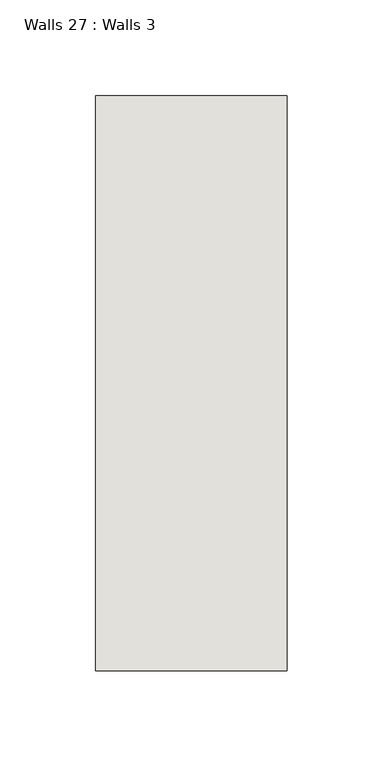
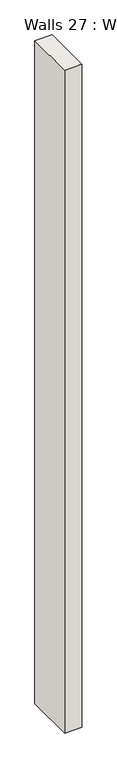
"""IFC4 building model written with IfcOpenShell, lengths in millimetres: wall geometry, Walls 27 : Walls 3."""

from ifc_helpers import new_model, si_unit, origin, origin_with_axes, place, context, project, spatial, polyline, outline, extrude, source, transform, mapped, element, save


def walls_27_walls_3_6475ced6(model_context):
    return source(origin(), model_context, "Body", "SweptSolid", [
        extrude(outline(polyline([(-3812.3812655, 1518.41264), (-3812.3812655, 1818.41264), (-3712.3812655, 1818.41264), (-3712.3812655, 1518.41264), (-3812.3812655, 1518.41264)])), origin_with_axes(), (0.0, 0.0, 1.0), 4085.1192828),
    ])


if __name__ == "__main__":
    model = new_model("IFC4")
    model_context = context("Model", 3, world=origin())
    ifc_project = project(units=[si_unit("LENGTHUNIT", "METRE", prefix="MILLI")], contexts=[model_context])
    site = spatial("IfcSite", under=ifc_project)
    building = spatial("IfcBuilding", under=site)
    placement = place(None, origin())
    walls_27_walls_3_shape = walls_27_walls_3_6475ced6(model_context)
    element("IfcWall", 1, ObjectType="Walls 27 : Walls 3", at=placement, inside=building, context=model_context, shape_type="MappedRepresentation", body=[
        mapped(walls_27_walls_3_shape, transform((0.0, 0.0, 0.0), x_axis=(1.0, 0.0, 0.0), y_axis=(0.0, 1.0, 0.0), z_axis=(0.0, 0.0, 1.0))),
    ])
    save(model, "model.ifc")
